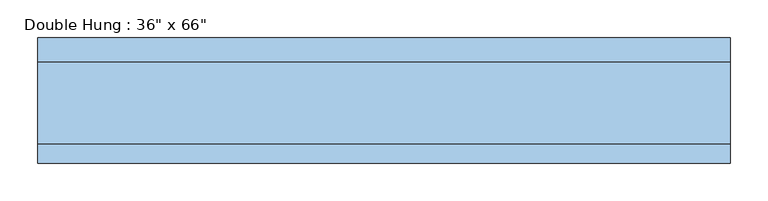
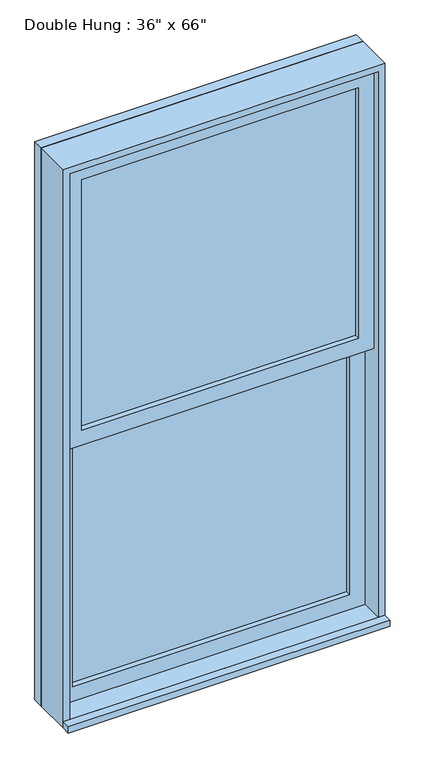
"""IFC4 building model written with IfcOpenShell, lengths in millimetres: window geometry."""

import ifcopenshell
import ifcopenshell.guid

model = None  # the IFC model being written
_history = None  # IfcOwnerHistory: only IFC2X3 demands one
_inside = {}  # id of a spatial element -> (the spatial element, [elements in it])
_under = {}  # id of a project, library or spatial element -> (it, [spatial elements below it])
_declared = {}  # id of a project -> (the project, [libraries it declares])
_typed = {}  # id of a type object -> (the type object, [elements of that type])
_made_of = {}  # id of a material, layer set ... -> (it, [elements and type objects made of it])


def new_model(schema):
    """Start an empty IFC model of exactly this schema.

    Asked for "IFC4X3", IfcOpenShell would pick the latest addendum, in which some entities
    have other attributes; the version numbers below select the first issue.
    IFC2X3 requires an IfcOwnerHistory on every rooted entity: one is made here for all.
    """
    global model, _history
    if schema == "IFC4X3":
        model = ifcopenshell.file(schema_version=(4, 3, 0, 0))
    else:
        model = ifcopenshell.file(schema=schema)
    _inside.clear()
    _under.clear()
    _declared.clear()
    _typed.clear()
    _made_of.clear()
    _history = None
    if model.schema == "IFC2X3":
        org = make("IfcOrganization", Name="unknown")
        user = make(
            "IfcPersonAndOrganization",
            ThePerson=make("IfcPerson", FamilyName="unknown"),
            TheOrganization=org,
        )
        app = make(
            "IfcApplication",
            ApplicationDeveloper=org,
            Version="unknown",
            ApplicationFullName="unknown",
            ApplicationIdentifier="unknown",
        )
        _history = make(
            "IfcOwnerHistory",
            OwningUser=user,
            OwningApplication=app,
            ChangeAction="ADDED",
            CreationDate=0,
        )
    return model


def make(cls, **values):
    """One entity of the class cls with the attributes given. An attribute that is None is left unset."""
    return model.create_entity(
        cls, **{name: value for name, value in values.items() if value is not None}
    )


def rooted(cls, **values):
    """An entity with a GlobalId (a new one), such as an element, a storey or a relation."""
    return make(cls, GlobalId=ifcopenshell.guid.new(), OwnerHistory=_history, **values)


def si_unit(unit_type, name, prefix=None):
    """IfcSIUnit, for example si_unit("LENGTHUNIT", "METRE", prefix="MILLI")."""
    return make("IfcSIUnit", UnitType=unit_type, Prefix=prefix, Name=name)


def assignment(units):
    """IfcUnitAssignment: the units of a project."""
    return None if units is None else make("IfcUnitAssignment", Units=units)


def point(xyz):
    """IfcCartesianPoint."""
    return None if xyz is None else make("IfcCartesianPoint", Coordinates=xyz)


def direction(xyz):
    """IfcDirection."""
    return None if xyz is None else make("IfcDirection", DirectionRatios=xyz)


def frame(location, z_axis=None, x_axis=None):
    """IfcAxis2Placement3D, a coordinate frame: its origin and axes. An axis left out is left unset."""
    return make(
        "IfcAxis2Placement3D",
        Location=point(location),
        Axis=direction(z_axis),
        RefDirection=direction(x_axis),
    )


def origin():
    """The frame at (0, 0, 0) with its axes left unset."""
    return frame((0.0, 0.0, 0.0))


def place(relative_to, where):
    """IfcLocalPlacement: puts the frame where relative to a parent placement (None: the world)."""
    return make(
        "IfcLocalPlacement", PlacementRelTo=relative_to, RelativePlacement=where
    )


def context(
    kind, dimensions, precision=None, world=None, true_north=None, identifier=None
):
    """IfcGeometricRepresentationContext, for example the 3D "Model" context."""
    return make(
        "IfcGeometricRepresentationContext",
        ContextIdentifier=identifier,
        ContextType=kind,
        CoordinateSpaceDimension=dimensions,
        Precision=precision,
        WorldCoordinateSystem=world,
        TrueNorth=true_north,
    )


def project(units=None, contexts=None):
    """IfcProject with its units and contexts."""
    return rooted(
        "IfcProject",
        Name="project",
        RepresentationContexts=contexts,
        UnitsInContext=assignment(units),
    )


def spatial(cls, under=None, at=None, **own):
    """A site, building, storey or space (cls), placed at a placement, below another one or the project."""
    s = rooted(cls, ObjectPlacement=at, **own)
    if under is not None:
        _under.setdefault(under.id(), (under, []))[1].append(s)
    return s


def polyline(points):
    """IfcPolyline through the points."""
    return make("IfcPolyline", Points=[point(p) for p in points])


def outline(outer, holes=None, kind="AREA"):
    """IfcArbitraryClosedProfileDef: a profile drawn as a closed curve; with holes, ...WithVoids."""
    if holes is None:
        return make("IfcArbitraryClosedProfileDef", ProfileType=kind, OuterCurve=outer)
    return make(
        "IfcArbitraryProfileDefWithVoids",
        ProfileType=kind,
        OuterCurve=outer,
        InnerCurves=holes,
    )


def extrude(swept, where, along, depth):
    """IfcExtrudedAreaSolid: the profile swept, set in the frame where, extruded along a direction by depth."""
    return make(
        "IfcExtrudedAreaSolid",
        SweptArea=swept,
        Position=where,
        ExtrudedDirection=direction(along),
        Depth=depth,
    )


def shape(context_of_items, identifier, shape_type, items):
    """IfcShapeRepresentation: the items that make up one representation, for example the "Body"."""
    return make(
        "IfcShapeRepresentation",
        ContextOfItems=context_of_items,
        RepresentationIdentifier=identifier,
        RepresentationType=shape_type,
        Items=items,
    )


def source(mapping_origin, context_of_items, identifier, shape_type, items):
    """IfcRepresentationMap: a shape defined once, which mapped items show again and again."""
    return make(
        "IfcRepresentationMap",
        MappingOrigin=mapping_origin,
        MappedRepresentation=shape(context_of_items, identifier, shape_type, items),
    )


def transform(
    local_origin,
    x_axis=None,
    y_axis=None,
    z_axis=None,
    scale=None,
    scale2=None,
    scale3=None,
    uniform=True,
):
    """IfcCartesianTransformationOperator3D, or its non-uniform kind. x_axis, y_axis, z_axis: its Axis1, 2, 3."""
    if uniform:
        return make(
            "IfcCartesianTransformationOperator3D",
            Axis1=direction(x_axis),
            Axis2=direction(y_axis),
            LocalOrigin=point(local_origin),
            Scale=scale,
            Axis3=direction(z_axis),
        )
    return make(
        "IfcCartesianTransformationOperator3DnonUniform",
        Axis1=direction(x_axis),
        Axis2=direction(y_axis),
        LocalOrigin=point(local_origin),
        Scale=scale,
        Axis3=direction(z_axis),
        Scale2=scale2,
        Scale3=scale3,
    )


def mapped(mapping_source, mapping_target):
    """IfcMappedItem: shows the shape of a source again, moved by a transform."""
    return make(
        "IfcMappedItem", MappingSource=mapping_source, MappingTarget=mapping_target
    )


def made_of(thing, what):
    """Note that an element or type object is made of a material, layer set ...; save() writes the relation."""
    if what is not None:
        _made_of.setdefault(what.id(), (what, []))[1].append(thing)
    return thing


def element(
    cls,
    number,
    at=None,
    inside=None,
    cuts=None,
    type_object=None,
    material=None,
    context=None,
    identifier="Body",
    shape_type=None,
    held_by="IfcProductDefinitionShape",
    body=None,
    shapes=None,
    **own,
):
    """One element of the class cls, such as IfcWall. Its Tag is "e" and its number.

    at: its placement. inside: the storey or other place that contains it. cuts: it is an
    opening in that element (IfcRelVoidsElement). A single representation is given by context,
    identifier, shape_type and body (its items); several are given by shapes. held_by: the class
    of the entity that holds the representations. save() writes the other relations.
    """
    e = rooted(cls, Tag="e%d" % number, ObjectPlacement=at, **own)
    if body is not None:
        shapes = [shape(context, identifier, shape_type, body)]
    if shapes is not None:
        e.Representation = make(held_by, Representations=shapes)
    if inside is not None:
        _inside.setdefault(inside.id(), (inside, []))[1].append(e)
    if cuts is not None:
        rooted(
            "IfcRelVoidsElement", RelatingBuildingElement=cuts, RelatedOpeningElement=e
        )
    if type_object is not None:
        _typed.setdefault(type_object.id(), (type_object, []))[1].append(e)
    return made_of(e, material)


def aggregate(whole, parts):
    """IfcRelAggregates: a whole, such as a stair, and the parts it consists of."""
    return rooted("IfcRelAggregates", RelatingObject=whole, RelatedObjects=parts)


def save(model, path):
    """Write the relations noted so far, then the file.

    IfcRelAggregates (storeys below a building ...), IfcRelContainedInSpatialStructure (elements
    in a storey), IfcRelDefinesByType, IfcRelAssociatesMaterial and IfcRelDeclares: one each for
    every whole, place, type object, material and project.
    """
    for whole, parts in _under.values():
        aggregate(whole, parts)
    for where, things in _inside.values():
        rooted(
            "IfcRelContainedInSpatialStructure",
            RelatedElements=things,
            RelatingStructure=where,
        )
    for kind, things in _typed.values():
        rooted("IfcRelDefinesByType", RelatedObjects=things, RelatingType=kind)
    for what, things in _made_of.values():
        rooted("IfcRelAssociatesMaterial", RelatedObjects=things, RelatingMaterial=what)
    for by, libraries in _declared.values():
        rooted("IfcRelDeclares", RelatingContext=by, RelatedDefinitions=libraries)
    model.write(path)


def window_7b534cf2(model_context):
    return source(origin(), model_context, "Body", "SweptSolid", [
        extrude(outline(polyline([(-393.7, 9.525), (-393.7, 22.225), (393.7, 22.225), (393.7, 9.525), (-393.7, 9.525)])), frame((0.0, 0.0, 368.3), z_axis=(0.0, 0.0, 1.0), x_axis=(1.0, 0.0, 0.0)), (0.0, 0.0, 1.0), 752.475),
        extrude(outline(polyline([(1165.225, -438.15), (323.85, -438.15), (323.85, 438.15), (1165.225, 438.15), (1165.225, -438.15)]), holes=[polyline([(1120.775, -393.7), (1120.775, 393.7), (368.3, 393.7), (368.3, -393.7), (1120.775, -393.7)])]), frame((0.0, -6.35, 0.0), z_axis=(0.0, 1.0, 0.0), x_axis=(0.0, 0.0, 1.0)), (0.0, 0.0, 1.0), 44.45),
        extrude(outline(polyline([(-457.2, -95.25), (-457.2, -69.85), (457.2, -69.85), (457.2, -95.25), (-457.2, -95.25)])), frame((0.0, 0.0, 304.8), z_axis=(0.0, 0.0, 1.0), x_axis=(1.0, 0.0, 0.0)), (0.0, 0.0, 1.0), 19.05),
        extrude(outline(polyline([(393.7, -22.225), (393.7, -34.925), (-393.7, -34.925), (-393.7, -22.225), (393.7, -22.225)])), frame((0.0, 0.0, 1165.225), z_axis=(0.0, 0.0, 1.0), x_axis=(1.0, 0.0, 0.0)), (0.0, 0.0, 1.0), 752.475),
        extrude(outline(polyline([(1962.15, -438.15), (1120.775, -438.15), (1120.775, 438.15), (1962.15, 438.15), (1962.15, -438.15)]), holes=[polyline([(1917.7, -393.7), (1917.7, 393.7), (1165.225, 393.7), (1165.225, -393.7), (1917.7, -393.7)])]), frame((0.0, -50.8, 0.0), z_axis=(0.0, 1.0, 0.0), x_axis=(0.0, 0.0, 1.0)), (0.0, 0.0, 1.0), 44.45),
        extrude(outline(polyline([(1981.2, -457.2), (304.8, -457.2), (304.8, 457.2), (1981.2, 457.2), (1981.2, -457.2)]), holes=[polyline([(1949.45, -425.45), (1949.45, 425.45), (336.55, 425.45), (336.55, -425.45), (1949.45, -425.45)])]), frame((0.0, 38.1, 0.0), z_axis=(0.0, 1.0, 0.0), x_axis=(0.0, 0.0, 1.0)), (0.0, 0.0, 1.0), 31.75),
        extrude(outline(polyline([(1981.2, 457.2), (1981.2, -457.2), (304.8, -457.2), (304.8, 457.2), (1981.2, 457.2)]), holes=[polyline([(1962.15, 438.15), (323.85, 438.15), (323.85, -438.15), (1962.15, -438.15), (1962.15, 438.15)])]), frame((0.0, -69.85, 0.0), z_axis=(0.0, 1.0, 0.0), x_axis=(0.0, 0.0, 1.0)), (0.0, 0.0, 1.0), 107.95),
    ])


if __name__ == "__main__":
    model = new_model("IFC4")
    model_context = context("Model", 3, world=origin())
    ifc_project = project(units=[si_unit("LENGTHUNIT", "METRE", prefix="MILLI")], contexts=[model_context])
    site = spatial("IfcSite", under=ifc_project)
    building = spatial("IfcBuilding", under=site)
    placement = place(None, origin())
    window_shape = window_7b534cf2(model_context)
    element("IfcWindow", 1, ObjectType="Double Hung : 36\" x 66\"", at=placement, inside=building, context=model_context, shape_type="MappedRepresentation", body=[
        mapped(window_shape, transform((0.0, 0.0, 0.0), x_axis=(1.0, 0.0, 0.0), y_axis=(0.0, 1.0, 0.0), z_axis=(0.0, 0.0, 1.0))),
    ])
    save(model, "model.ifc")
